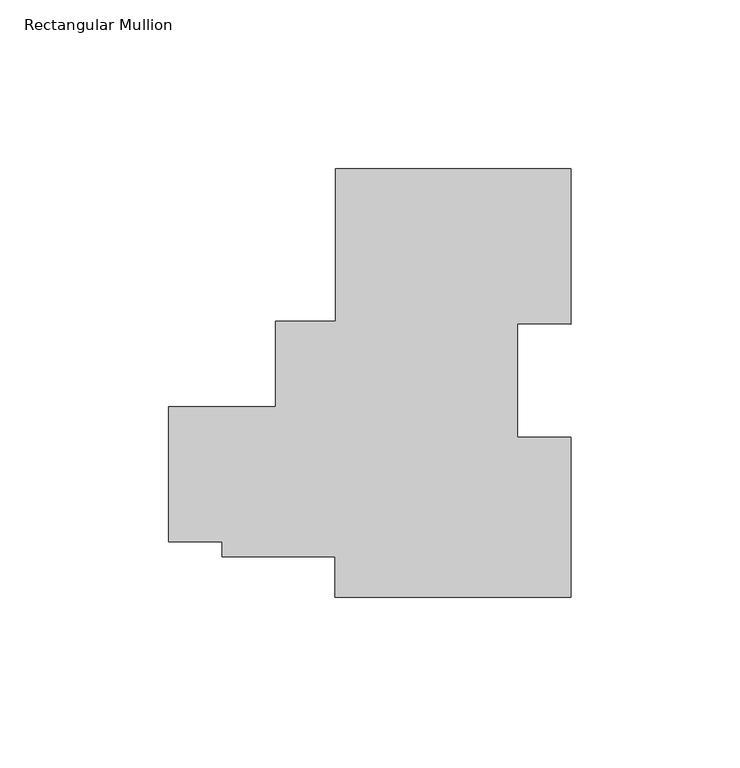
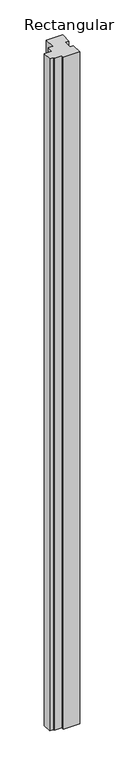
"""IFC4 building model written with IfcOpenShell, lengths in millimetres: member geometry, Rectangular Mullion."""

from ifc_helpers import new_model, si_unit, frame, origin, place, context, project, spatial, polyline, outline, extrude, source, transform, mapped, element, save


def rectangular_mullion_59e1098f(model_context):
    return source(origin(), model_context, "Body", "SweptSolid", [
        extrude(outline(polyline([(-69.9423164, -63.5), (-69.9423164, -51.5156819), (-103.3839122, -51.5156819), (-103.3839122, -47.0706819), (-119.2580027, -47.0706819), (-119.2580027, -7.0737044), (-87.5098327, -7.0737044), (-87.5098327, 18.3262956), (-69.8060327, 18.3262956), (-69.8060327, 63.5), (0.0, 63.5), (0.0, 17.3908157), (-15.8750006, 17.5848649), (-15.8750006, -16.0406114), (-6e-07, -16.0406114), (-6e-07, -63.5), (-69.9423164, -63.5)])), frame((0.0, 0.0, -3048.0), z_axis=(0.0, 0.0, 1.0), x_axis=(1.0, 0.0, 0.0)), (0.0, 0.0, 1.0), 3048.0),
    ])


if __name__ == "__main__":
    model = new_model("IFC4")
    model_context = context("Model", 3, world=origin())
    ifc_project = project(units=[si_unit("LENGTHUNIT", "METRE", prefix="MILLI")], contexts=[model_context])
    site = spatial("IfcSite", under=ifc_project)
    building = spatial("IfcBuilding", under=site)
    placement = place(None, origin())
    rectangular_mullion_shape = rectangular_mullion_59e1098f(model_context)
    element("IfcMember", 1, ObjectType="Rectangular Mullion", at=placement, inside=building, context=model_context, shape_type="MappedRepresentation", body=[
        mapped(rectangular_mullion_shape, transform((0.0, 0.0, 0.0), x_axis=(1.0, 0.0, 0.0), y_axis=(0.0, 1.0, 0.0), z_axis=(0.0, 0.0, 1.0))),
    ])
    save(model, "model.ifc")
